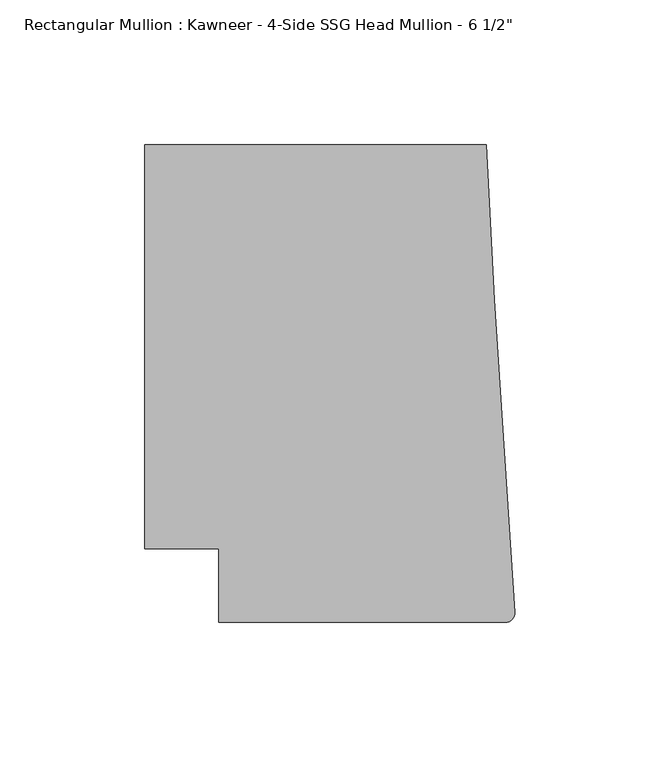
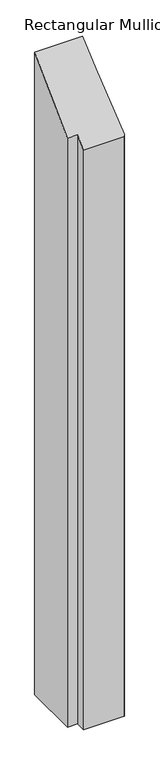
"""IFC4 building model written with IfcOpenShell, lengths in millimetres: member geometry."""

from ifc_helpers import new_model, si_unit, frame, origin, place, context, project, spatial, circle_curve, ellipse_curve, source, transform, mapped, element, save
from ifc_brep_helpers import plane_surface, cylinder_surface, advanced_brep


def member_33461256(model_context):
    return source(origin(), model_context, "Body", "AdvancedBrep", [
        advanced_brep(
        [(-102.08978, -12.7, -1519.7555237), (-102.08978, 12.7, -1519.7555237), (-127.4896668, 12.7, -1519.7555237), (-127.4896668, 151.892, -1519.7555237), (-9.7860662, 151.892, -1519.7555237), (-6.9873394, 98.4891117, -1519.7555237), (-0.006635, -9.3198462, -1519.7555237), (-3.175, -12.7, -1519.7555237), (-3.175, -12.7, -12.7), (-102.08978, -12.7, -12.7), (-0.006635, -9.3198462, -9.3198462), (-6.9873394, 98.4891117, 98.4891117), (-9.7860662, 151.892, 151.892), (-127.4896668, 151.892, 151.892), (-127.4896668, 12.7, 12.7), (-102.08978, 12.7, 12.7)],
        [
            (0, 1),
            (1, 2),
            (2, 3),
            (3, 4),
            (4, 5),
            (5, 6),
            (6, 7, circle_curve(frame((-3.175, -9.525, -1519.7555237), z_axis=(0.0, 0.0, -1.0), x_axis=(0.0, -1.0, 0.0)), 3.175)),
            (7, 0),
            (8, 9),
            (9, 0),
            (7, 8),
            (10, 8, ellipse_curve(frame((-3.175, -9.525, -9.525), z_axis=(0.0, 0.7071067811865481, -0.7071067811865469), x_axis=(0.0, 0.7071067811865469, 0.7071067811865481)), 4.4901281, 3.175)),
            (6, 10),
            (11, 10),
            (5, 11),
            (12, 11),
            (4, 12),
            (13, 12),
            (3, 13),
            (14, 13),
            (2, 14),
            (15, 14),
            (1, 15),
            (9, 15),
        ],
        [
            plane_surface(frame((0.0, -198.3048028, -1519.7555237), z_axis=(0.0, 0.0, -1.0), x_axis=(-1.0, 0.0, 0.0))),
            plane_surface(frame((-102.08978, -12.7, 0.0), z_axis=(0.0, -1.0, 0.0), x_axis=(0.0, 0.0, -1.0))),
            cylinder_surface(frame((-3.175, -9.525, 0.0), z_axis=(0.0, 0.0, 1.0), x_axis=(0.0, -1.0, 0.0)), 3.175),
            plane_surface(frame((-0.006635, -9.3198462, 0.0), z_axis=(0.9979102429769694, 0.06461537712995265, 0.0), x_axis=(0.0, 0.0, -1.0))),
            plane_surface(frame((-6.9873394, 98.4891117, 0.0), z_axis=(0.9986295347545738, 0.05233595624294541, 0.0), x_axis=(0.0, 0.0, -1.0))),
            plane_surface(frame((-9.7860662, 151.892, 0.0), z_axis=(0.0, 1.0, 0.0), x_axis=(0.0, 0.0, -1.0))),
            plane_surface(frame((-127.4896668, 151.892, 0.0), z_axis=(-1.0, 0.0, 0.0), x_axis=(0.0, 0.0, -1.0))),
            plane_surface(frame((-127.4896668, 12.7, 0.0), z_axis=(0.0, -1.0, 0.0), x_axis=(0.0, 0.0, -1.0))),
            plane_surface(frame((-102.08978, 12.7, 0.0), z_axis=(-1.0, 0.0, 0.0), x_axis=(0.0, 0.0, -1.0))),
            plane_surface(frame((304.8, 0.0, 0.0), z_axis=(0.0, -0.7071067811865481, 0.7071067811865469), x_axis=(0.0, -0.7071067811865469, -0.7071067811865481))),
        ],
        [
            (0, [[1, 2, 3, 4, 5, 6, 7, 8]]),
            (1, [[9, 10, -8, 11]]),
            (2, [[12, -11, -7, 13]]),
            (3, [[14, -13, -6, 15]]),
            (4, [[16, -15, -5, 17]]),
            (5, [[18, -17, -4, 19]]),
            (6, [[20, -19, -3, 21]]),
            (7, [[22, -21, -2, 23]]),
            (8, [[24, -23, -1, -10]]),
            (9, [[-9, -12, -14, -16, -18, -20, -22, -24]]),
        ],
    ),
    ])


if __name__ == "__main__":
    model = new_model("IFC4")
    model_context = context("Model", 3, world=origin())
    ifc_project = project(units=[si_unit("LENGTHUNIT", "METRE", prefix="MILLI")], contexts=[model_context])
    site = spatial("IfcSite", under=ifc_project)
    building = spatial("IfcBuilding", under=site)
    placement = place(None, origin())
    member_shape = member_33461256(model_context)
    element("IfcMember", 1, ObjectType="Rectangular Mullion : Kawneer - 4-Side SSG Head Mullion - 6 1/2\"", at=placement, inside=building, context=model_context, shape_type="MappedRepresentation", body=[
        mapped(member_shape, transform((0.0, 0.0, 0.0), x_axis=(1.0, 0.0, 0.0), y_axis=(0.0, 1.0, 0.0), z_axis=(0.0, 0.0, 1.0))),
    ])
    save(model, "model.ifc")
